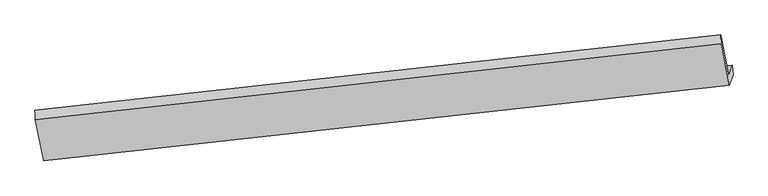
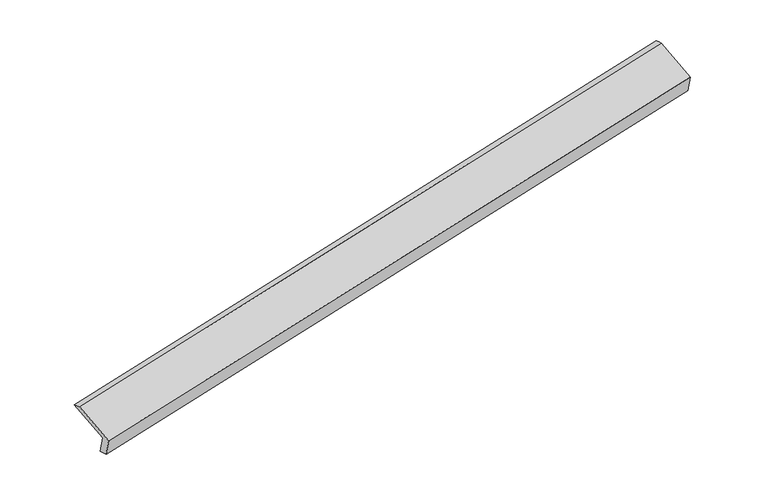
"""IFC4 building model written with IfcOpenShell, lengths in millimetres: proxy geometry."""

from ifc_helpers import new_model, si_unit, frame, origin, place, context, project, spatial, source, transform, mapped, element, save
from ifc_brep_helpers import plane_surface, spline_surface, advanced_brep


def generic_models_e79f1600(model_context):
    return source(origin(), model_context, "Body", "AdvancedBrep", [
        advanced_brep(
        [(-8461.2169917, -2153.816202, 399.6689375), (-8520.6437647, -2330.0296047, 789.175435), (2838.672766, -1090.8940784, 3093.9278433), (2898.099539, -914.6806757, 2704.4213457), (-8450.5336492, -2320.1016025, 438.8335787), (2908.3655715, -1067.8204079, 2738.3881742), (-8510.6573484, -2498.381544, 832.9080052), (2848.2418722, -1246.1003494, 3132.4626006), (-8645.2088628, -1818.6926865, 1119.8719576), (2711.8962249, -557.3484048, 3423.2529793), (-8653.3844584, -1659.4881339, 1072.27737), (2704.1379395, -411.2895205, 3380.8562045)],
        [
            (0, 1),
            (1, 2),
            (2, 3),
            (3, 0),
            (4, 0),
            (3, 5),
            (5, 4),
            (6, 4),
            (5, 7),
            (7, 6),
            (8, 6),
            (7, 9),
            (9, 8),
            (10, 8),
            (9, 11),
            (11, 10),
            (1, 10),
            (11, 2),
        ],
        [
            plane_surface(frame((-8490.9303782, -2241.9229034, 594.4221863), z_axis=(-0.17664855830197368, 0.9066149933504283, 0.3832030019220067), x_axis=(-0.13768227480119558, -0.4082581114809765, 0.9024239057203409))),
            spline_surface(1, 1, [[(-8450.5336492, -2320.1016025, 438.8335787), (2908.3655715, -1067.8204079, 2738.3881742)], [(-8461.2169917, -2153.816202, 399.6689375), (2898.099539, -914.6806757, 2704.4213457)]], [2, 2], [2, 2], [0.0, 1.0], [0.0, 1.0]),
            plane_surface(frame((-8480.5954988, -2409.2415732, 635.8707919), z_axis=(0.17748456640629406, -0.9065231669832531, -0.3830339102615104), x_axis=(0.1376822748012956, 0.4082581114810916, -0.9024239057202735))),
            plane_surface(frame((-8577.9331056, -2158.5371153, 976.3899814), z_axis=(-0.1376822748013269, -0.40825811148108077, 0.9024239057202738), x_axis=(0.179413284723456, -0.9063087174527684, -0.38264262953029443))),
            spline_surface(1, 1, [[(-8653.3844584, -1659.4881339, 1072.27737), (2704.1379395, -411.2895205, 3380.8562045)], [(-8645.2088628, -1818.6926865, 1119.8719576), (2711.8962249, -557.3484048, 3423.2529793)]], [2, 2], [2, 2], [0.0, 1.0], [0.0, 1.0]),
            plane_surface(frame((-8587.0141116, -1994.7588693, 930.7264025), z_axis=(0.13851786857180096, 0.4083516610667441, -0.9022536899289226), x_axis=(-0.1794132847234336, 0.9063087174527962, 0.3826426295302392))),
            plane_surface(frame((2818.2356522, -881.3555728, 3078.884858), z_axis=(0.9740916098962562, 0.10922372946856429, 0.1980295746869594), x_axis=(0.179413284723456, -0.9063087174527684, -0.38264262953029443))),
            plane_surface(frame((-8540.2741792, -2130.0849623, 775.4558807), z_axis=(-0.9740916098962682, -0.10922372946862452, -0.19802957468686688), x_axis=(0.13768227480120285, 0.4082581114810085, -0.9024239057203254))),
        ],
        [
            (0, [[1, 2, 3, 4]]),
            (1, [[5, -4, 6, 7]]),
            (2, [[8, -7, 9, 10]]),
            (3, [[11, -10, 12, 13]]),
            (4, [[14, -13, 15, 16]]),
            (5, [[17, -16, 18, -2]]),
            (6, [[-12, -9, -6, -3, -18, -15]]),
            (7, [[-1, -5, -8, -11, -14, -17]]),
        ],
    ),
    ])


if __name__ == "__main__":
    model = new_model("IFC4")
    model_context = context("Model", 3, world=origin())
    ifc_project = project(units=[si_unit("LENGTHUNIT", "METRE", prefix="MILLI")], contexts=[model_context])
    site = spatial("IfcSite", under=ifc_project)
    building = spatial("IfcBuilding", under=site)
    placement = place(None, origin())
    generic_models_shape = generic_models_e79f1600(model_context)
    element("IfcBuildingElementProxy", 1, Name="Generic Models", at=placement, inside=building, context=model_context, shape_type="MappedRepresentation", body=[
        mapped(generic_models_shape, transform((0.0, 0.0, 0.0), x_axis=(1.0, 0.0, 0.0), y_axis=(0.0, 1.0, 0.0), z_axis=(0.0, 0.0, 1.0))),
    ])
    save(model, "model.ifc")
